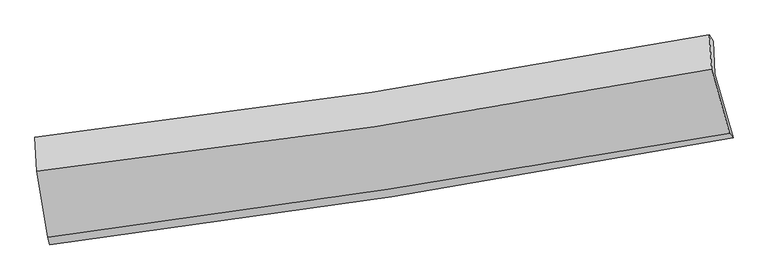
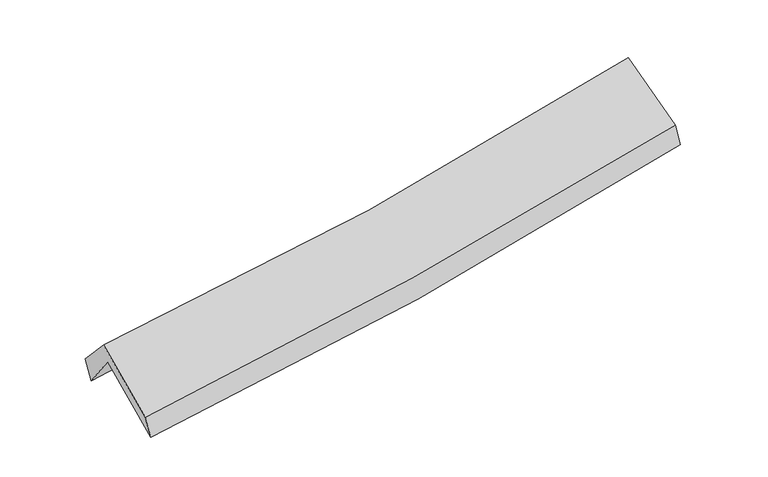
"""IFC4 building model written with IfcOpenShell, lengths in millimetres: proxy geometry."""

from ifc_helpers import new_model, si_unit, frame, origin, place, context, project, spatial, source, transform, mapped, element, save
from ifc_brep_helpers import plane_surface, spline_curve, spline_surface, advanced_brep


def generic_models_94d848c9(model_context):
    return source(origin(), model_context, "Body", "AdvancedBrep", [
        advanced_brep(
        [(-2546.7605569, -2494.6278207, 1488.5396274), (-2635.0766357, -1968.3857798, 1924.993667), (2572.0538045, -1177.925923, 2370.3505492), (2713.3788586, -1670.7086712, 1946.8456427), (-2643.7226038, -1727.5453224, 1596.4441389), (2560.954269, -924.7009033, 2058.3100862), (-2661.8054225, -1666.6616625, 1777.7149012), (2531.5126064, -877.6558156, 2236.0556959), (-2648.167725, -1928.8289704, 2065.0891229), (2548.5406316, -1142.9521759, 2516.4866755), (-2563.8031732, -2433.6821789, 1652.3930585), (2686.1625305, -1634.3934082, 2122.703846)],
        [
            (0, 1),
            (1, 2, spline_curve(3, [(-2635.0766357, -1968.3857798, 1924.993667), (-1763.205578701, -1869.378813468, 1966.814657505), (-895.039968266, -1754.327140773, 2024.628438447), (840.729124808, -1491.095760172, 2172.826319865), (1708.273660922, -1342.660813887, 2263.464833192), (2572.0538045, -1177.925923, 2370.3505492)], [4, 2, 4], [0.0, 8.687237727008704, 17.443300889732058])),
            (2, 3),
            (3, 0, spline_curve(3, [(2713.3788586, -1670.7086712, 1946.8456427), (1840.736971139, -1835.422622546, 1838.121347521), (964.32670329, -1986.657461709, 1745.479545461), (-789.112110534, -2261.086110557, 1592.962706812), (-1666.081647697, -2384.490988365, 1532.835837512), (-2546.7605569, -2494.6278207, 1488.5396274)], [4, 2, 4], [0.0, 8.756063162723354, 17.443300889732058])),
            (1, 4),
            (4, 5, spline_curve(3, [(-2643.7226038, -1727.5453224, 1596.4441389), (-1774.794775303, -1614.759859524, 1652.786912802), (-908.309438976, -1491.767837332, 1719.255154702), (826.621706859, -1224.315396119, 1873.049395173), (1695.028661699, -1079.692612299, 1960.536469026), (2560.954269, -924.7009033, 2058.3100862)], [4, 2, 4], [0.0, 8.639410610517919, 17.347267742044238])),
            (5, 2),
            (4, 6),
            (6, 7, spline_curve(3, [(-2661.8054225, -1666.6616625, 1777.7149012), (-1793.245083397, -1564.939288938, 1828.300571828), (-927.883332375, -1448.644768843, 1891.58745504), (803.273560316, -1185.87463302, 2044.165669804), (1669.017818852, -1039.167203997, 2133.65905147), (2531.5126064, -877.6558156, 2236.0556959)], [4, 2, 4], [0.0, 8.628633571311061, 17.32562828155138])),
            (7, 5),
            (6, 8),
            (8, 9, spline_curve(3, [(-2648.167725, -1928.8289704, 2065.0891229), (-1778.052258276, -1829.537320791, 2105.657150827), (-911.629573128, -1714.721658911, 2163.341403177), (820.665290121, -1453.009682495, 2313.534969842), (1686.478723906, -1305.866412978, 2406.316568575), (2548.5406316, -1142.9521759, 2516.4866755)], [4, 2, 4], [0.0, 8.620535240639024, 17.309367460441617])),
            (9, 7),
            (8, 10),
            (10, 11, spline_curve(3, [(-2563.8031732, -2433.6821789, 1652.3930585), (-1686.286190469, -2321.374162318, 1701.626299184), (-811.744986622, -2198.915775381, 1765.223942643), (938.290920043, -1932.647657011, 1921.765697204), (1813.738284144, -1788.676453523, 2014.938315866), (2686.1625305, -1634.3934082, 2122.703846)], [4, 2, 4], [0.0, 8.6679584581961, 17.404589610335762])),
            (11, 9),
            (10, 0),
            (3, 11),
        ],
        [
            spline_surface(3, 3, [[(-2546.7605569, -2494.6278207, 1488.5396274), (-1666.081647649, -2384.490988223, 1532.835837434), (-789.112110464, -2261.086110676, 1592.962706928), (964.326703219, -1986.65746159, 1745.479545345), (1840.736971184, -1835.422622617, 1838.121347625), (2713.3788586, -1670.7086712, 1946.8456427)], [(-2576.199249838, -2319.213807079, 1634.024307272), (-1698.456291328, -2212.786929945, 1677.495444145), (-824.421396354, -2092.166454056, 1736.851284082), (923.127510364, -1821.470227811, 1887.928470207), (1796.582534392, -1671.16868636, 1979.902509474), (2666.270507216, -1506.447755117, 2088.013944865)], [(-2605.637942762, -2143.799793421, 1779.508987128), (-1730.830934992, -2041.08287163, 1822.15505084), (-859.730682233, -1923.246797373, 1880.739861232), (881.92831752, -1656.28299397, 2030.377395064), (1752.42809765, -1506.914750151, 2121.68367133), (2619.162155884, -1342.186839083, 2229.182247035)], [(-2635.0766357, -1968.3857798, 1924.993667), (-1763.205578672, -1869.378813352, 1966.814657551), (-895.039968124, -1754.327140753, 2024.628438386), (840.729124665, -1491.095760192, 2172.826319926), (1708.273660858, -1342.660813894, 2263.46483318), (2572.0538045, -1177.925923, 2370.3505492)]], [4, 4], [4, 2, 4], [0.0, 2.197832196709541], [0.0, 8.687237727008704, 17.443300889732058]),
            spline_surface(3, 3, [[(-2635.0766357, -1968.3857798, 1924.993667), (-1763.205578672, -1869.378813352, 1966.814657551), (-895.039968124, -1754.327140753, 2024.628438386), (840.729124665, -1491.095760192, 2172.826319926), (1708.273660858, -1342.660813894, 2263.46483318), (2572.0538045, -1177.925923, 2370.3505492)], [(-2637.958625065, -1888.105627318, 1815.477157645), (-1767.068644178, -1784.505828699, 1862.138742655), (-899.46312508, -1666.807372892, 1922.837343838), (836.026652104, -1402.168972204, 2072.900678302), (1703.858661145, -1255.00474664, 2162.488711775), (2568.35395933, -1093.517583091, 2266.337061545)], [(-2640.840614435, -1807.825474882, 1705.960648255), (-1770.931709689, -1699.632844092, 1757.462827724), (-903.886282089, -1579.287605057, 1821.046249329), (831.32417949, -1313.242184243, 1972.975036717), (1699.443661441, -1167.348679412, 2061.512590336), (2564.65411417, -1009.109243209, 2162.323573855)], [(-2643.7226038, -1727.5453224, 1596.4441389), (-1774.794775195, -1614.75985944, 1652.786912828), (-908.309439045, -1491.767837196, 1719.255154781), (826.621706929, -1224.315396256, 1873.049395093), (1695.028661729, -1079.692612158, 1960.536468931), (2560.954269, -924.7009033, 2058.3100862)]], [4, 4], [4, 2, 4], [0.0, 1.3196350207728933], [0.0, 8.639410610517919, 17.347267742044238]),
            spline_surface(3, 3, [[(-2643.7226038, -1727.5453224, 1596.4441389), (-1774.794775195, -1614.75985944, 1652.786912828), (-908.309439045, -1491.767837196, 1719.255154781), (826.621706929, -1224.315396256, 1873.049395093), (1695.028661729, -1079.692612158, 1960.536468931), (2560.954269, -924.7009033, 2058.3100862)], [(-2649.750210017, -1707.250769094, 1656.867726317), (-1780.944877931, -1598.153002588, 1711.291465805), (-914.834070159, -1477.393481085, 1776.6992549), (818.838991359, -1211.501808469, 1930.088153322), (1686.358380771, -1066.184142773, 2018.243996398), (2551.140381484, -909.019207422, 2117.558622762)], [(-2655.777816283, -1686.956215806, 1717.291313783), (-1787.094980717, -1581.546145756, 1769.796018831), (-921.358701218, -1463.019125025, 1834.143354983), (811.056275843, -1198.688220734, 1987.126911512), (1677.688099759, -1052.675673323, 2075.951523878), (2541.326493916, -893.337511478, 2176.807159338)], [(-2661.8054225, -1666.6616625, 1777.7149012), (-1793.245083452, -1564.939288904, 1828.300571808), (-927.883332332, -1448.644768915, 1891.587455102), (803.273560273, -1185.874632947, 2044.165669741), (1669.017818801, -1039.167203938, 2133.659051345), (2531.5126064, -877.6558156, 2236.0556959)]], [4, 4], [4, 2, 4], [0.0, 0.5833118904753422], [0.0, 8.628633571311061, 17.32562828155138]),
            spline_surface(3, 3, [[(-2661.8054225, -1666.6616625, 1777.7149012), (-1793.245083452, -1564.939288904, 1828.300571808), (-927.883332332, -1448.644768915, 1891.587455102), (803.273560273, -1185.874632947, 2044.165669741), (1669.017818801, -1039.167203938, 2133.659051345), (2531.5126064, -877.6558156, 2236.0556959)], [(-2657.259523341, -1754.050765136, 1873.506308448), (-1788.18080842, -1653.138632865, 1920.752764828), (-922.465412632, -1537.337065582, 1982.172104442), (809.070803585, -1274.919649507, 2133.955436474), (1674.83812052, -1128.066940273, 2224.544890414), (2537.188614786, -966.08793568, 2329.532689114)], [(-2652.713624159, -1841.439867764, 1969.297715652), (-1783.116533366, -1741.337976818, 2013.204957805), (-917.047492923, -1626.029362181, 2072.756753761), (814.868046905, -1363.964665998, 2223.745203186), (1680.658422282, -1216.966676669, 2315.430729441), (2542.864623214, -1054.52005582, 2423.009682286)], [(-2648.167725, -1928.8289704, 2065.0891229), (-1778.052258334, -1829.537320778, 2105.657150825), (-911.629573223, -1714.721658848, 2163.341403101), (820.665290217, -1453.009682558, 2313.534969919), (1686.478724001, -1305.866413003, 2406.31656851), (2548.5406316, -1142.9521759, 2516.4866755)]], [4, 4], [4, 2, 4], [0.0, 1.2474213819912707], [0.0, 8.620535240639024, 17.309367460441617]),
            spline_surface(3, 3, [[(-2648.167725, -1928.8289704, 2065.0891229), (-1778.052258334, -1829.537320778, 2105.657150825), (-911.629573223, -1714.721658848, 2163.341403101), (820.665290217, -1453.009682558, 2313.534969919), (1686.478724001, -1305.866413003, 2406.31656851), (2548.5406316, -1142.9521759, 2516.4866755)], [(-2620.046207743, -2097.113373226, 1927.523768085), (-1747.463569008, -1993.482934606, 1970.980200269), (-878.334710963, -1876.119697732, 2030.635582977), (859.87383348, -1612.889007328, 2182.945212281), (1728.898577349, -1466.803093146, 2275.85715098), (2594.414597912, -1306.765920015, 2385.225732305)], [(-2591.924690457, -2265.397776074, 1789.958413315), (-1716.874879654, -2157.428548456, 1836.303249759), (-845.039848775, -2037.517736628, 1897.929762908), (899.082376672, -1772.768332109, 2052.355454699), (1771.318430663, -1627.739773244, 2145.397733537), (2640.288564188, -1470.579664085, 2253.964789195)], [(-2563.8031732, -2433.6821789, 1652.3930585), (-1686.286190327, -2321.374162284, 1701.626299202), (-811.744986516, -2198.915775512, 1765.223942784), (938.290919936, -1932.647656879, 1921.765697062), (1813.738284011, -1788.676453386, 2014.938316007), (2686.1625305, -1634.3934082, 2122.703846)]], [4, 4], [4, 2, 4], [0.0, 2.0750618151644837], [0.0, 8.6679584581961, 17.404589610335762]),
            spline_surface(3, 3, [[(-2563.8031732, -2433.6821789, 1652.3930585), (-1686.286190327, -2321.374162284, 1701.626299202), (-811.744986516, -2198.915775512, 1765.223942784), (938.290919936, -1932.647656879, 1921.765697062), (1813.738284011, -1788.676453386, 2014.938316007), (2686.1625305, -1634.3934082, 2122.703846)], [(-2558.122301097, -2453.997392848, 1597.775248133), (-1679.551342764, -2342.413104278, 1645.362811946), (-804.200694515, -2219.639220553, 1707.803530842), (946.969514347, -1950.650925102, 1863.0036465), (1822.737846407, -1804.258509806, 1955.999326556), (2695.234639872, -1646.498495876, 2064.084444909)], [(-2552.441429003, -2474.312606752, 1543.157437767), (-1672.816495211, -2363.452046229, 1589.09932469), (-796.656402464, -2240.362665636, 1650.38311887), (955.648108808, -1968.654193367, 1804.241595907), (1831.737408788, -1819.840566198, 1897.060337076), (2704.306749228, -1658.603583524, 2005.465043791)], [(-2546.7605569, -2494.6278207, 1488.5396274), (-1666.081647649, -2384.490988223, 1532.835837434), (-789.112110464, -2261.086110676, 1592.962706928), (964.326703219, -1986.65746159, 1745.479545345), (1840.736971184, -1835.422622617, 1838.121347625), (2713.3788586, -1670.7086712, 1946.8456427)]], [4, 4], [4, 2, 4], [0.0, 0.6079772797597973], [0.0, 8.723832115010122, 17.51677958812197]),
            plane_surface(frame((2602.1004501, -1238.0561495, 2208.4587492), z_axis=(0.9766222183480637, 0.18259444217921117, 0.1134385838864786), x_axis=(0.21349711159375215, -0.7623879951940141, -0.6108874921989949))),
            plane_surface(frame((-2616.5560195, -2036.6219558, 1750.8624193), z_axis=(-0.9913496781025715, -0.11692333055938392, -0.05962172839518254), x_axis=(-0.09702623814113429, 0.34697292079737474, 0.9328428063428043))),
        ],
        [
            (0, [[1, 2, 3, 4]]),
            (1, [[5, 6, 7, -2]]),
            (2, [[8, 9, 10, -6]]),
            (3, [[11, 12, 13, -9]]),
            (4, [[14, 15, 16, -12]]),
            (5, [[17, -4, 18, -15]]),
            (6, [[-16, -18, -3, -7, -10, -13]]),
            (7, [[-17, -14, -11, -8, -5, -1]]),
        ],
    ),
    ])


if __name__ == "__main__":
    model = new_model("IFC4")
    model_context = context("Model", 3, world=origin())
    ifc_project = project(units=[si_unit("LENGTHUNIT", "METRE", prefix="MILLI")], contexts=[model_context])
    site = spatial("IfcSite", under=ifc_project)
    building = spatial("IfcBuilding", under=site)
    placement = place(None, origin())
    generic_models_shape = generic_models_94d848c9(model_context)
    element("IfcBuildingElementProxy", 1, Name="Generic Models", at=placement, inside=building, context=model_context, shape_type="MappedRepresentation", body=[
        mapped(generic_models_shape, transform((0.0, 0.0, 0.0), x_axis=(1.0, 0.0, 0.0), y_axis=(0.0, 1.0, 0.0), z_axis=(0.0, 0.0, 1.0))),
    ])
    save(model, "model.ifc")
